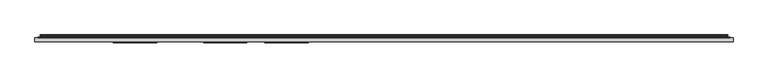
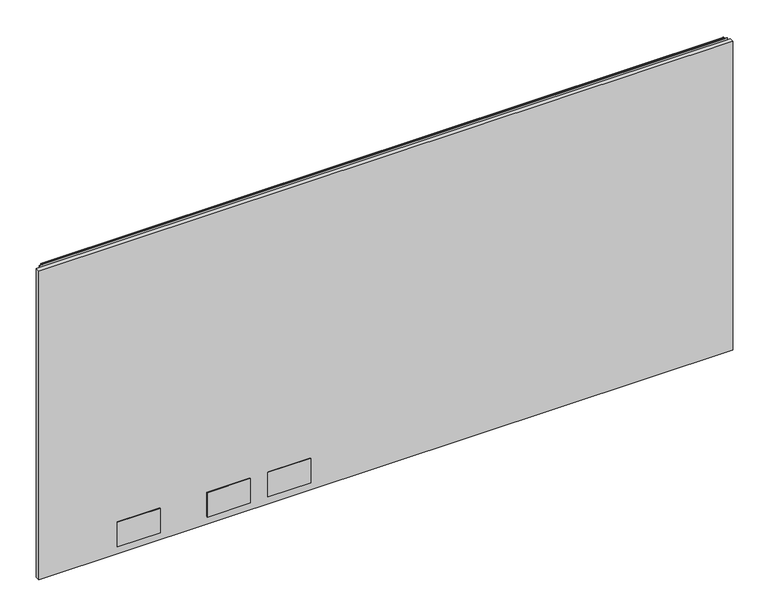
"""IFC4 building model written with IfcOpenShell, lengths in millimetres: furniture geometry."""

from ifc_helpers import new_model, si_unit, point, frame, frame_2d, origin, place, context, project, spatial, polyline, circle_curve, trimmed, segment, composite_curve, outline, extrude, source, transform, mapped, element, save


def furniture_b6b0370e(model_context):
    return source(origin(), model_context, "Body", "SweptSolid", [
        extrude(outline(polyline([(1.778, 1.45288), (1.778, 10.9778796), (1522.2219835, 10.9778796), (1522.2219835, 1.45288), (1.778, 1.45288)])), frame((0.0, 0.0, 12.7), z_axis=(0.0, 0.0, 1.0), x_axis=(1.0, 0.0, 0.0)), (0.0, 0.0, 1.0), 715.7592871),
        extrude(outline(polyline([(266.572991, -0.57912), (172.3390082, -0.57912), (172.3390082, 1.45288), (266.572991, 1.45288), (266.572991, -0.57912)])), frame((0.0, 0.0, 30.2259996), z_axis=(0.0, 0.0, 1.0), x_axis=(1.0, 0.0, 0.0)), (0.0, 0.0, 1.0), 56.6420005),
        extrude(outline(polyline([(463.422985, -0.57912), (369.188984, -0.57912), (369.188984, 1.45288), (463.422985, 1.45288), (463.422985, -0.57912)])), frame((0.0, 0.0, 30.2259996), z_axis=(0.0, 0.0, 1.0), x_axis=(1.0, 0.0, 0.0)), (0.0, 0.0, 1.0), 56.6420005),
        extrude(outline(polyline([(596.772985, -0.57912), (502.538984, -0.57912), (502.538984, 1.45288), (596.772985, 1.45288), (596.772985, -0.57912)])), frame((0.0, 0.0, 30.2259996), z_axis=(0.0, 0.0, 1.0), x_axis=(1.0, 0.0, 0.0)), (0.0, 0.0, 1.0), 56.6420005),
        extrude(outline(composite_curve([segment(polyline([(10.9778796, 732.8853024), (10.9778796, 733.8277903)]), True, "CONTINUOUS"), segment(trimmed(circle_curve(frame_2d((11.6164846, 733.8277903)), 0.638605), [point((10.9778796, 733.8277903))], [point((11.6164846, 734.4663953))], False, "CARTESIAN"), True, "CONTINUOUS"), segment(polyline([(11.6164846, 734.4663953), (13.251317, 734.4663953)]), True, "CONTINUOUS"), segment(trimmed(circle_curve(frame_2d((13.251317, 732.0930753)), 2.37332), [point((13.251317, 734.4663953))], [point((15.6071079, 731.8051575))], False, "CARTESIAN"), True, "CONTINUOUS"), segment(polyline([(15.6071079, 731.8051575), (15.2080413, 728.5399287)]), True, "CONTINUOUS"), segment(trimmed(circle_curve(frame_2d((17.5068753, 728.2589719)), 2.3159393), [point((15.2080413, 728.5399287))], [point((15.5012134, 727.1010018))], True, "CARTESIAN"), True, "CONTINUOUS"), segment(polyline([(15.5012134, 727.1010018), (16.6600675, 725.0938087), (15.9781592, 724.7001085), (14.819305, 726.7073016)]), True, "CONTINUOUS"), segment(trimmed(circle_curve(frame_2d((17.5068753, 728.2589719)), 3.1033393), [point((14.819305, 726.7073016))], [point((14.4264569, 728.6354516))], False, "CARTESIAN"), True, "CONTINUOUS"), segment(polyline([(14.4264569, 728.6354516), (14.8255236, 731.9006804)]), True, "CONTINUOUS"), segment(trimmed(circle_curve(frame_2d((13.251317, 732.0930753)), 1.58592), [point((14.8255236, 731.9006804))], [point((13.251317, 733.6789953))], True, "CARTESIAN"), True, "CONTINUOUS"), segment(polyline([(13.251317, 733.6789953), (11.7652796, 733.6789953), (11.7652796, 732.8853024), (10.9778796, 732.8853024)]), True, "CONTINUOUS")], self_intersect=False)), frame((13.7160002, 0.0, 0.0), z_axis=(1.0, 0.0, 0.0), x_axis=(0.0, 1.0, 0.0)), (0.0, 0.0, 1.0), 1496.5680076),
        extrude(outline(polyline([(8.1280002, 10.9778796), (8.1280002, 11.7652796), (1515.8720078, 11.7652796), (1515.8720078, 10.9778796), (8.1280002, 10.9778796)])), frame((0.0, 0.0, 702.2084079), z_axis=(0.0, 0.0, 1.0), x_axis=(1.0, 0.0, 0.0)), (0.0, 0.0, 1.0), 30.8009179),
    ])


if __name__ == "__main__":
    model = new_model("IFC4")
    model_context = context("Model", 3, world=origin())
    ifc_project = project(units=[si_unit("LENGTHUNIT", "METRE", prefix="MILLI")], contexts=[model_context])
    site = spatial("IfcSite", under=ifc_project)
    building = spatial("IfcBuilding", under=site)
    placement = place(None, origin())
    furniture_shape = furniture_b6b0370e(model_context)
    element("IfcFurniture", 1, at=placement, inside=building, context=model_context, shape_type="MappedRepresentation", body=[
        mapped(furniture_shape, transform((0.0, 0.0, 0.0), x_axis=(1.0, 0.0, 0.0), y_axis=(0.0, 1.0, 0.0), z_axis=(0.0, 0.0, 1.0))),
    ])
    save(model, "model.ifc")
